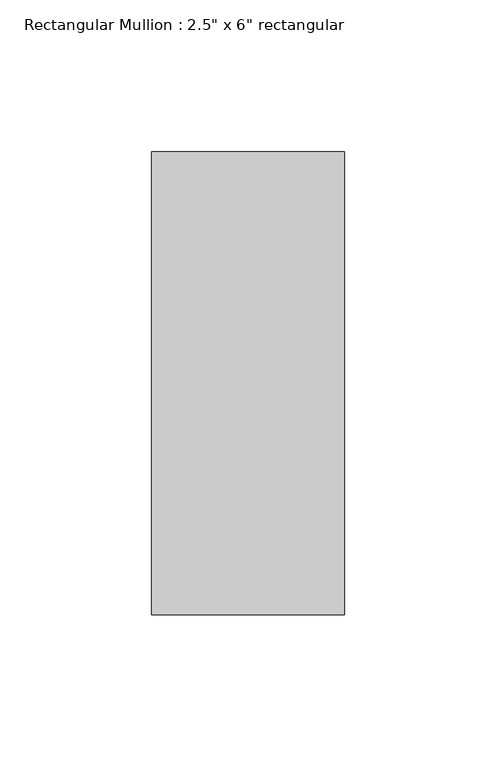
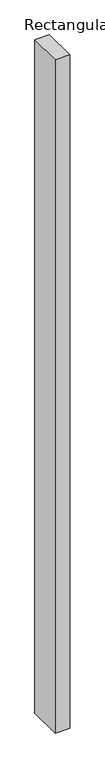
"""IFC4 building model written with IfcOpenShell, lengths in millimetres: member geometry."""

from ifc_helpers import new_model, si_unit, frame, origin, place, context, project, spatial, polyline, outline, extrude, source, transform, mapped, element, save


def member_ad89ba29(model_context):
    return source(origin(), model_context, "Body", "SweptSolid", [
        extrude(outline(polyline([(0.0, 60.325), (0.0, -92.075), (-63.5, -92.075), (-63.5, 60.325), (0.0, 60.325)])), frame((0.0, 0.0, -3098.8), z_axis=(0.0, 0.0, 1.0), x_axis=(1.0, 0.0, 0.0)), (0.0, 0.0, 1.0), 3098.8),
    ])


if __name__ == "__main__":
    model = new_model("IFC4")
    model_context = context("Model", 3, world=origin())
    ifc_project = project(units=[si_unit("LENGTHUNIT", "METRE", prefix="MILLI")], contexts=[model_context])
    site = spatial("IfcSite", under=ifc_project)
    building = spatial("IfcBuilding", under=site)
    placement = place(None, origin())
    member_shape = member_ad89ba29(model_context)
    element("IfcMember", 1, ObjectType="Rectangular Mullion : 2.5\" x 6\" rectangular", at=placement, inside=building, context=model_context, shape_type="MappedRepresentation", body=[
        mapped(member_shape, transform((0.0, 0.0, 0.0), x_axis=(1.0, 0.0, 0.0), y_axis=(0.0, 1.0, 0.0), z_axis=(0.0, 0.0, 1.0))),
    ])
    save(model, "model.ifc")
